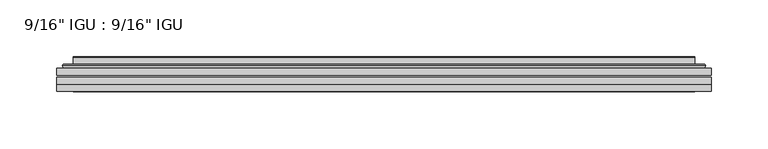
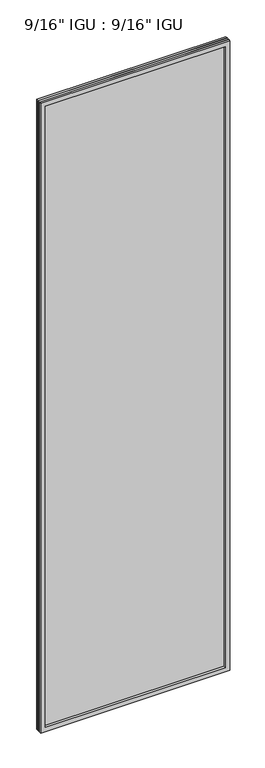
"""IFC4 building model written with IfcOpenShell, lengths in millimetres: plate geometry."""

from ifc_helpers import new_model, si_unit, frame, origin, place, context, project, spatial, polyline, ellipse_curve, outline, extrude, faceted_brep, source, transform, mapped, element, save
from ifc_brep_helpers import plane_surface, cylinder_surface, advanced_brep


def plate_66ac4fa1(model_context):
    return source(origin(), model_context, "Body", "SolidModel", [
        extrude(outline(polyline([(287.351675, -54.78145), (287.351675, -61.1317818), (-287.3375, -61.1317818), (-287.3375, -54.78145), (287.351675, -54.78145)])), frame((0.0, 0.0, -14.2875), z_axis=(0.0, 0.0, 1.0), x_axis=(1.0, 0.0, 0.0)), (0.0, 0.0, 1.0), 2022.4787979),
        extrude(outline(polyline([(-287.3375, -69.05625), (-287.3375, -62.705745), (287.351675, -62.705745), (287.351675, -69.05625), (-287.3375, -69.05625)])), frame((0.0, 0.0, -14.2875), z_axis=(0.0, 0.0, 1.0), x_axis=(1.0, 0.0, 0.0)), (0.0, 0.0, 1.0), 2022.4787979),
        faceted_brep([(-287.3502, -75.40625, 2008.2002), (-287.3502, -69.05625, 2008.2002), (-287.3502, -69.05625, -14.3002), (-287.3502, -75.40625, -14.3002), (287.3502, -69.05625, -14.3002), (287.3502, -75.40625, -14.3002), (287.3502, -69.05625, 2008.2002), (287.3502, -75.40625, 2008.2002), (-272.1522559, -69.05625, 0.8977441), (272.1522559, -69.05625, 0.8977441), (272.1522559, -69.05625, 1993.0022559), (-272.1522559, -69.05625, 1993.0022559), (-273.0446902, -75.40625, 1993.8946902), (273.0446902, -75.40625, 1993.8946902), (273.0446902, -75.40625, 0.0053098), (-273.0446902, -75.40625, 0.0053098)], [[[0, 1, 2, 3]], [[3, 2, 4, 5]], [[5, 4, 6, 7]], [[1, 6, 4, 2], [8, 9, 10, 11]], [[7, 6, 1, 0]], [[3, 5, 7, 0], [12, 13, 14, 15]], [[11, 12, 15, 8]], [[8, 15, 14, 9]], [[9, 14, 13, 10]], [[10, 13, 12, 11]]]),
        advanced_brep(
        [(-280.096219, -54.78145, 2000.946219), (-282.4504244, -52.7917833, 2003.3004244), (-282.4504244, -52.7917833, -9.4004244), (-280.096219, -54.78145, -7.046219), (-271.0218939, -50.941413, 1991.8718939), (-266.0870621, -54.78145, 1986.9370621), (-266.0870621, -54.78145, 6.9629379), (-271.0218939, -50.941413, 2.0281061), (-272.0539217, -45.5441819, 1992.9039217), (-272.0539217, -45.5441819, 0.9960783), (-273.0445784, -45.1452069, 1993.8945784), (-273.0445784, -45.1452069, 0.0054216), (-273.0445784, -51.60645, 1993.8945784), (-273.0445784, -51.60645, 0.0054216), (-281.4486349, -51.60645, 2002.2986349), (-281.4486349, -51.60645, -8.3986349), (282.4504244, -52.7917833, -9.4004244), (280.096219, -54.78145, -7.046219), (266.0870621, -54.78145, 6.9629379), (271.0218939, -50.941413, 2.0281061), (272.0539217, -45.5441819, 0.9960783), (273.0445784, -45.1452069, 0.0054216), (273.0445784, -51.60645, 0.0054216), (281.4486349, -51.60645, -8.3986349), (282.4504244, -52.7917833, 2003.3004244), (280.096219, -54.78145, 2000.946219), (266.0870621, -54.78145, 1986.9370621), (271.0218939, -50.941413, 1991.8718939), (272.0539217, -45.5441819, 1992.9039217), (273.0445784, -45.1452069, 1993.8945784), (273.0445784, -51.60645, 1993.8945784), (281.4486349, -51.60645, 2002.2986349)],
        [
            (0, 1, ellipse_curve(frame((-280.096219, -52.39385, 2000.946219), z_axis=(-0.7071067811865475, 0.0, -0.7071067811865475), x_axis=(-0.7071067811865474, 0.0, 0.7071067811865476)), 3.3765763, 2.3876)),
            (1, 2),
            (2, 3, ellipse_curve(frame((-280.096219, -52.39385, -7.046219), z_axis=(-0.7071067811865475, 0.0, 0.7071067811865475), x_axis=(0.7071067811865474, 0.0, 0.7071067811865476)), 3.3765763, 2.3876)),
            (3, 0),
            (4, 5),
            (5, 6),
            (6, 7),
            (7, 4),
            (8, 4),
            (7, 9),
            (9, 8),
            (10, 8, ellipse_curve(frame((-272.6776219, -45.6634423, 1993.5276219), z_axis=(-0.7071067811865475, 0.0, -0.7071067811865475), x_axis=(-0.7071067811865474, 0.0, 0.7071067811865476)), 0.8980256, 0.635)),
            (9, 11, ellipse_curve(frame((-272.6776219, -45.6634423, 0.3723781), z_axis=(-0.7071067811865475, 0.0, 0.7071067811865475), x_axis=(0.7071067811865474, 0.0, 0.7071067811865476)), 0.8980256, 0.635)),
            (11, 10),
            (12, 10),
            (11, 13),
            (13, 12),
            (1, 14, ellipse_curve(frame((-281.4486349, -52.62245, 2002.2986349), z_axis=(-0.7071067811865475, 0.0, -0.7071067811865475), x_axis=(-0.7071067811865474, 0.0, 0.7071067811865476)), 1.436841, 1.016)),
            (14, 15),
            (15, 2, ellipse_curve(frame((-281.4486349, -52.62245, -8.3986349), z_axis=(-0.7071067811865475, 0.0, 0.7071067811865475), x_axis=(0.7071067811865474, 0.0, 0.7071067811865476)), 1.436841, 1.016)),
            (2, 16),
            (16, 17, ellipse_curve(frame((280.096219, -52.39385, -7.046219), z_axis=(-0.7071067811865475, 0.0, -0.7071067811865475), x_axis=(-0.7071067811865476, 0.0, 0.7071067811865474)), 3.3765763, 2.3876)),
            (17, 3),
            (6, 18),
            (18, 19),
            (19, 7),
            (19, 20),
            (20, 9),
            (20, 21, ellipse_curve(frame((272.6776219, -45.6634423, 0.3723781), z_axis=(-0.7071067811865475, 0.0, -0.7071067811865475), x_axis=(-0.7071067811865476, 0.0, 0.7071067811865474)), 0.8980256, 0.635)),
            (21, 11),
            (21, 22),
            (22, 13),
            (15, 23),
            (23, 16, ellipse_curve(frame((281.4486349, -52.62245, -8.3986349), z_axis=(-0.7071067811865475, 0.0, -0.7071067811865475), x_axis=(-0.7071067811865476, 0.0, 0.7071067811865474)), 1.436841, 1.016)),
            (16, 24),
            (24, 25, ellipse_curve(frame((280.096219, -52.39385, 2000.946219), z_axis=(0.7071067811865475, 0.0, -0.7071067811865475), x_axis=(-0.7071067811865474, 0.0, -0.7071067811865476)), 3.3765763, 2.3876)),
            (25, 17),
            (18, 26),
            (26, 27),
            (27, 19),
            (27, 28),
            (28, 20),
            (28, 29, ellipse_curve(frame((272.6776219, -45.6634423, 1993.5276219), z_axis=(0.7071067811865475, 0.0, -0.7071067811865475), x_axis=(-0.7071067811865474, 0.0, -0.7071067811865476)), 0.8980256, 0.635)),
            (29, 21),
            (29, 30),
            (30, 22),
            (23, 31),
            (31, 24, ellipse_curve(frame((281.4486349, -52.62245, 2002.2986349), z_axis=(0.7071067811865475, 0.0, -0.7071067811865475), x_axis=(-0.7071067811865474, 0.0, -0.7071067811865476)), 1.436841, 1.016)),
            (24, 1),
            (0, 25),
            (5, 26),
            (4, 27),
            (8, 28),
            (10, 29),
            (12, 30),
            (14, 31),
        ],
        [
            cylinder_surface(frame((-280.096219, -52.39385, 2025.65), z_axis=(0.0, 0.0, 1.0), x_axis=(-1.0, 0.0, 0.0)), 2.3876),
            plane_surface(frame((-266.0870621, -54.78145, 1986.9370621), z_axis=(0.6141233906514794, 0.7892100234124821, 0.0), x_axis=(0.0, 0.0, -1.0))),
            plane_surface(frame((-271.0218939, -50.941413, 1991.8718939), z_axis=(0.9822050625507728, 0.18781164793386088, 0.0), x_axis=(0.0, 0.0, -1.0))),
            cylinder_surface(frame((-272.6776219, -45.6634423, 2025.65), z_axis=(0.0, 0.0, 1.0), x_axis=(-1.0, 0.0, 0.0)), 0.635),
            plane_surface(frame((-273.0445784, -45.1452069, 1993.8945784), z_axis=(-1.0, 0.0, 0.0), x_axis=(0.0, 0.0, -1.0))),
            cylinder_surface(frame((-281.4486349, -52.62245, 2025.65), z_axis=(0.0, 0.0, 1.0), x_axis=(-1.0, 0.0, 0.0)), 1.016),
            cylinder_surface(frame((-304.8, -52.39385, -7.046219), z_axis=(-1.0, 0.0, 0.0), x_axis=(0.0, 0.0, -1.0)), 2.3876),
            plane_surface(frame((-266.0870621, -54.78145, 6.9629379), z_axis=(0.0, 0.7892100234124841, 0.6141233906514768), x_axis=(1.0, 0.0, 0.0))),
            plane_surface(frame((-271.0218939, -50.941413, 2.0281061), z_axis=(0.0, 0.18781164793386404, 0.9822050625507722), x_axis=(1.0, 0.0, 0.0))),
            cylinder_surface(frame((-304.8, -45.6634423, 0.3723781), z_axis=(-1.0, 0.0, 0.0), x_axis=(0.0, 0.0, -1.0)), 0.635),
            plane_surface(frame((-273.0445784, -45.1452069, 0.0054216), z_axis=(0.0, 0.0, -1.0), x_axis=(1.0, 0.0, 0.0))),
            cylinder_surface(frame((-304.8, -52.62245, -8.3986349), z_axis=(-1.0, 0.0, 0.0), x_axis=(0.0, 0.0, -1.0)), 1.016),
            cylinder_surface(frame((280.096219, -52.39385, -31.75), z_axis=(0.0, 0.0, -1.0), x_axis=(1.0, 0.0, 0.0)), 2.3876),
            plane_surface(frame((266.0870621, -54.78145, 6.9629379), z_axis=(-0.6141233906514743, 0.7892100234124861, 0.0), x_axis=(0.0, 0.0, 1.0))),
            plane_surface(frame((271.0218939, -50.941413, 2.0281061), z_axis=(-0.9822050625507717, 0.1878116479338672, 0.0), x_axis=(0.0, 0.0, 1.0))),
            cylinder_surface(frame((272.6776219, -45.6634423, -31.75), z_axis=(0.0, 0.0, -1.0), x_axis=(1.0, 0.0, 0.0)), 0.635),
            plane_surface(frame((273.0445784, -45.1452069, 0.0054216), z_axis=(1.0, 0.0, 0.0), x_axis=(0.0, 0.0, 1.0))),
            cylinder_surface(frame((281.4486349, -52.62245, -31.75), z_axis=(0.0, 0.0, -1.0), x_axis=(1.0, 0.0, 0.0)), 1.016),
            cylinder_surface(frame((304.8, -52.39385, 2000.946219), z_axis=(1.0, 0.0, 0.0), x_axis=(0.0, 0.0, 1.0)), 2.3876),
            plane_surface(frame((280.096219, -54.78145, 2000.946219), z_axis=(0.0, -1.0, 0.0), x_axis=(-1.0, 0.0, 0.0))),
            plane_surface(frame((266.0870621, -54.78145, 1986.9370621), z_axis=(0.0, 0.7892100234124841, -0.6141233906514768), x_axis=(-1.0, 0.0, 0.0))),
            plane_surface(frame((271.0218939, -50.941413, 1991.8718939), z_axis=(0.0, 0.18781164793386404, -0.9822050625507722), x_axis=(-1.0, 0.0, 0.0))),
            cylinder_surface(frame((304.8, -45.6634423, 1993.5276219), z_axis=(1.0, 0.0, 0.0), x_axis=(0.0, 0.0, 1.0)), 0.635),
            plane_surface(frame((273.0445784, -45.1452069, 1993.8945784), z_axis=(0.0, 0.0, 1.0), x_axis=(-1.0, 0.0, 0.0))),
            plane_surface(frame((273.0445784, -51.60645, 1993.8945784), z_axis=(0.0, 1.0, 0.0), x_axis=(-1.0, 0.0, 0.0))),
            cylinder_surface(frame((304.8, -52.62245, 2002.2986349), z_axis=(1.0, 0.0, 0.0), x_axis=(0.0, 0.0, 1.0)), 1.016),
        ],
        [
            (0, [[1, 2, 3, 4]]),
            (1, [[5, 6, 7, 8]]),
            (2, [[9, -8, 10, 11]]),
            (3, [[12, -11, 13, 14]]),
            (4, [[15, -14, 16, 17]]),
            (5, [[18, 19, 20, -2]]),
            (6, [[-3, 21, 22, 23]]),
            (7, [[-7, 24, 25, 26]]),
            (8, [[-10, -26, 27, 28]]),
            (9, [[-13, -28, 29, 30]]),
            (10, [[-16, -30, 31, 32]]),
            (11, [[-20, 33, 34, -21]]),
            (12, [[-22, 35, 36, 37]]),
            (13, [[-25, 38, 39, 40]]),
            (14, [[-27, -40, 41, 42]]),
            (15, [[-29, -42, 43, 44]]),
            (16, [[-31, -44, 45, 46]]),
            (17, [[-34, 47, 48, -35]]),
            (18, [[-36, 49, -1, 50]]),
            (19, [[-23, -37, -50, -4], [51, -38, -24, -6]]),
            (20, [[-39, -51, -5, 52]]),
            (21, [[-41, -52, -9, 53]]),
            (22, [[-43, -53, -12, 54]]),
            (23, [[-45, -54, -15, 55]]),
            (24, [[56, -47, -33, -19], [-32, -46, -55, -17]]),
            (25, [[-48, -56, -18, -49]]),
        ],
    ),
    ])


if __name__ == "__main__":
    model = new_model("IFC4")
    model_context = context("Model", 3, world=origin())
    ifc_project = project(units=[si_unit("LENGTHUNIT", "METRE", prefix="MILLI")], contexts=[model_context])
    site = spatial("IfcSite", under=ifc_project)
    building = spatial("IfcBuilding", under=site)
    placement = place(None, origin())
    plate_shape = plate_66ac4fa1(model_context)
    element("IfcPlate", 1, ObjectType="9/16\" IGU : 9/16\" IGU", at=placement, inside=building, context=model_context, shape_type="MappedRepresentation", body=[
        mapped(plate_shape, transform((0.0, 0.0, 0.0), x_axis=(1.0, 0.0, 0.0), y_axis=(0.0, 1.0, 0.0), z_axis=(0.0, 0.0, 1.0))),
    ])
    save(model, "model.ifc")
